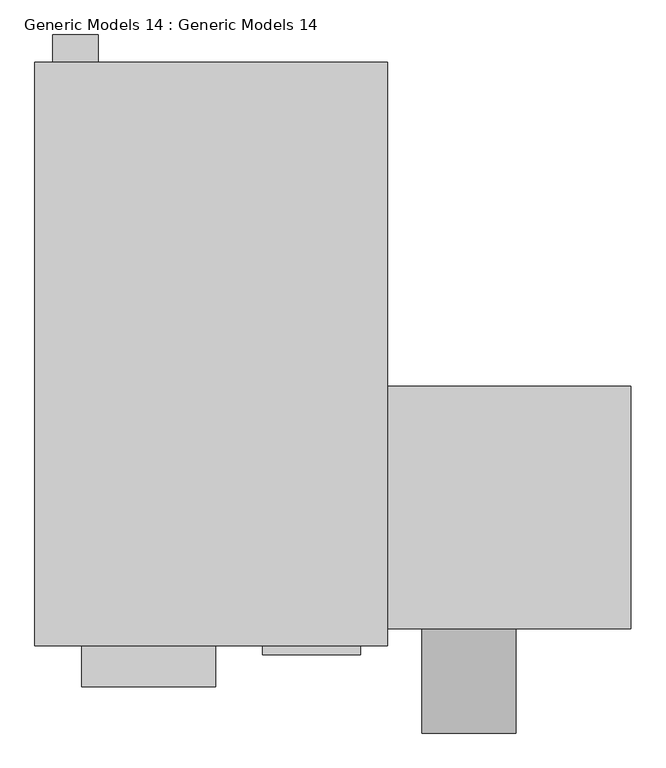
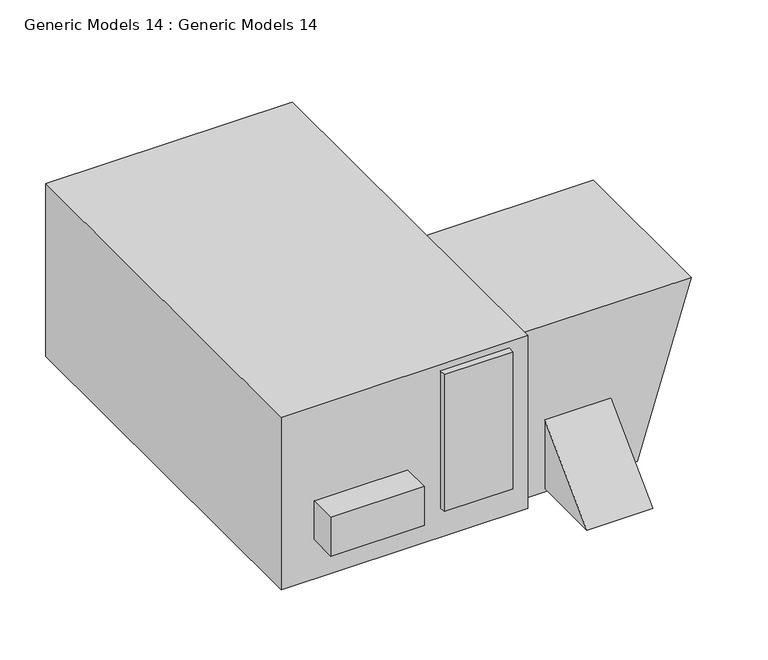
"""IFC4 building model written with IfcOpenShell, lengths in millimetres: proxy geometry, Generic Models 14 : Generic Models 14."""

from ifc_helpers import new_model, si_unit, frame, origin, place, context, project, spatial, polyline, outline, extrude, source, transform, mapped, element, save


def generic_models_14_generic_models_14_fe4e7021(model_context):
    return source(origin(), model_context, "Body", "SweptSolid", [
        extrude(outline(polyline([(-1887.1015916, -2400.3), (-1550.5515916, -2063.75), (-1550.5515916, -2400.3), (-1887.1015916, -2400.3)])), frame((-15023.9932605, 0.0, 0.0), z_axis=(1.0, 0.0, 0.0), x_axis=(0.0, 1.0, 0.0)), (0.0, 0.0, 1.0), 304.8),
        extrude(outline(polyline([(-1602.8364742, -14347.7182605), (-1602.8364742, -15135.1182605), (-2416.5561911, -15135.1182605), (-2416.5561911, -14596.4973441), (-1602.8364742, -14347.7182605)])), frame((0.0, -1550.5515916, 0.0), z_axis=(0.0, 1.0, 0.0), x_axis=(0.0, 0.0, 1.0)), (0.0, 0.0, 1.0), 784.1915547),
        extrude(outline(polyline([(-15221.5947141, -1604.5265916), (-15221.5947141, -1634.3393897), (-15539.0947141, -1634.3393897), (-15539.0947141, -1604.5265916), (-15221.5947141, -1604.5265916)])), frame((0.0, 0.0, -2280.4100546), z_axis=(0.0, 0.0, 1.0), x_axis=(1.0, 0.0, 0.0)), (0.0, 0.0, 1.0), 670.2991379),
        extrude(outline(polyline([(-15691.6601978, -1604.5265916), (-15691.6601978, -1737.8765916), (-16123.4601978, -1737.8765916), (-16123.4601978, -1604.5265916), (-15691.6601978, -1604.5265916)])), frame((0.0, 0.0, -2232.1868963), z_axis=(0.0, 0.0, 1.0), x_axis=(1.0, 0.0, 0.0)), (0.0, 0.0, 1.0), 188.9851077),
        extrude(outline(polyline([(-16071.3172712, 281.4234084), (-16217.3672712, 281.4234084), (-16217.3672712, 370.3234084), (-16071.3172712, 370.3234084), (-16071.3172712, 281.4234084)])), frame((0.0, 0.0, -1957.2576665), z_axis=(0.0, 0.0, 1.0), x_axis=(1.0, 0.0, 0.0)), (0.0, 0.0, 1.0), 252.3928672),
        extrude(outline(polyline([(-15135.1182605, 281.4234084), (-15135.1182605, -1604.5265916), (-16275.6805739, -1604.5265916), (-16275.6805739, 281.4234084), (-15135.1182605, 281.4234084)])), frame((0.0, 0.0, -2425.7), z_axis=(0.0, 0.0, 1.0), x_axis=(1.0, 0.0, 0.0)), (0.0, 0.0, 1.0), 845.6112222),
    ])


if __name__ == "__main__":
    model = new_model("IFC4")
    model_context = context("Model", 3, world=origin())
    ifc_project = project(units=[si_unit("LENGTHUNIT", "METRE", prefix="MILLI")], contexts=[model_context])
    site = spatial("IfcSite", under=ifc_project)
    building = spatial("IfcBuilding", under=site)
    placement = place(None, origin())
    generic_models_14_generic_models_14_shape = generic_models_14_generic_models_14_fe4e7021(model_context)
    element("IfcBuildingElementProxy", 1, Name="Generic Models 14 : Generic Models 14", ObjectType="Generic Models 14 : Generic Models 14", at=placement, inside=building, context=model_context, shape_type="MappedRepresentation", body=[
        mapped(generic_models_14_generic_models_14_shape, transform((0.0, 0.0, 0.0), x_axis=(1.0, 0.0, 0.0), y_axis=(0.0, 1.0, 0.0), z_axis=(0.0, 0.0, 1.0))),
    ])
    save(model, "model.ifc")
